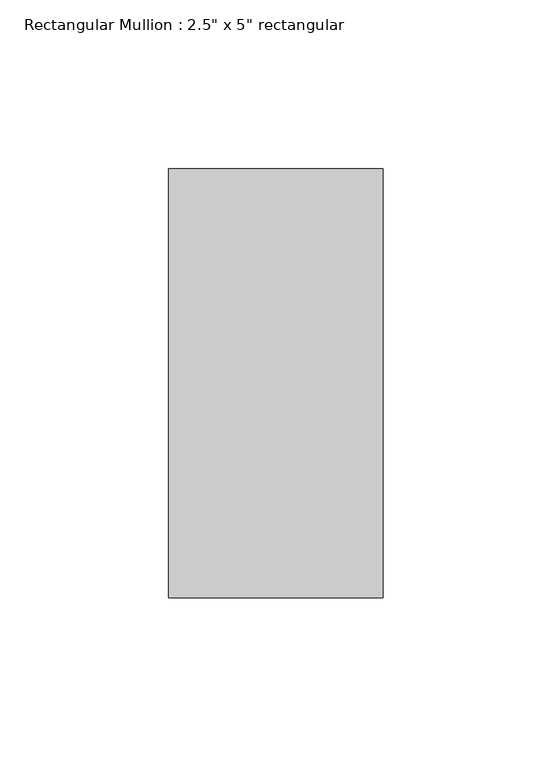
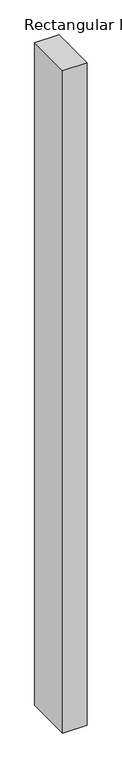
"""IFC4 building model written with IfcOpenShell, lengths in millimetres: member geometry."""

from ifc_helpers import new_model, si_unit, frame, origin, place, context, project, spatial, polyline, outline, extrude, source, transform, mapped, element, save


def member_2fae0574(model_context):
    return source(origin(), model_context, "Body", "SweptSolid", [
        extrude(outline(polyline([(0.0, 63.5), (0.0, -63.5), (-63.5, -63.5), (-63.5, 63.5), (0.0, 63.5)])), frame((0.0, 0.0, -1828.8), z_axis=(0.0, 0.0, 1.0), x_axis=(1.0, 0.0, 0.0)), (0.0, 0.0, 1.0), 1828.8),
    ])


if __name__ == "__main__":
    model = new_model("IFC4")
    model_context = context("Model", 3, world=origin())
    ifc_project = project(units=[si_unit("LENGTHUNIT", "METRE", prefix="MILLI")], contexts=[model_context])
    site = spatial("IfcSite", under=ifc_project)
    building = spatial("IfcBuilding", under=site)
    placement = place(None, origin())
    member_shape = member_2fae0574(model_context)
    element("IfcMember", 1, ObjectType="Rectangular Mullion : 2.5\" x 5\" rectangular", at=placement, inside=building, context=model_context, shape_type="MappedRepresentation", body=[
        mapped(member_shape, transform((0.0, 0.0, 0.0), x_axis=(1.0, 0.0, 0.0), y_axis=(0.0, 1.0, 0.0), z_axis=(0.0, 0.0, 1.0))),
    ])
    save(model, "model.ifc")
